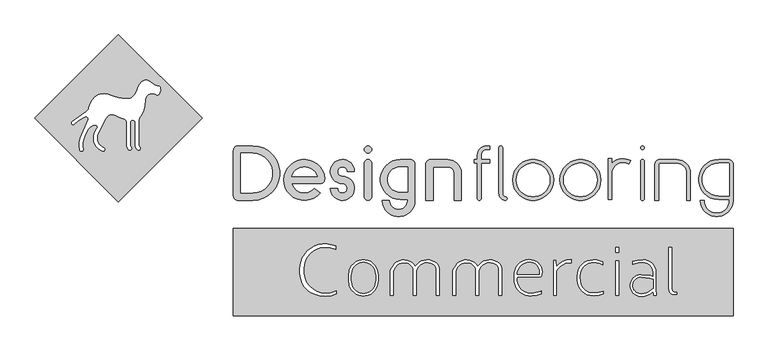
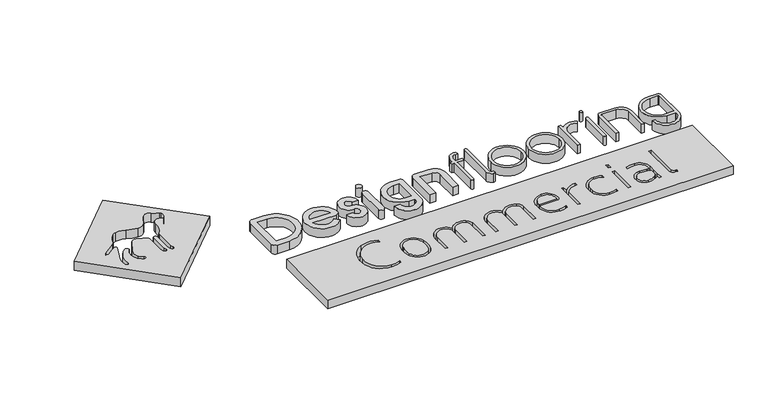
"""IFC4 building model written with IfcOpenShell, lengths in millimetres: proxy geometry."""

from ifc_helpers import new_model, si_unit, point, frame_2d, origin, origin_with_axes, place, context, project, spatial, polyline, circle_curve, trimmed, segment, composite_curve, outline, extrude, source, transform, mapped, element, save


def generic_models_ec97cc81(model_context):
    return source(origin(), model_context, "Body", "SweptSolid", [
        extrude(outline(composite_curve([segment(polyline([(-5767.153441, 16348.2724961), (-5767.153441, 17348.2724961)]), True, "CONTINUOUS"), segment(trimmed(circle_curve(frame_2d((-5667.153441, 17348.2724961)), 100.0), [point((-5767.153441, 17348.2724961))], [point((-5667.153441, 17448.2724961))], False, "CARTESIAN"), True, "CONTINUOUS"), segment(polyline([(-5667.153441, 17448.2724961), (-5347.153441, 17448.2724961)]), True, "CONTINUOUS"), segment(trimmed(circle_curve(frame_2d((-5347.153441, 16848.2724961)), 600.0), [point((-5347.153441, 17448.2724961))], [point((-5347.153441, 16248.2724961))], False, "CARTESIAN"), True, "CONTINUOUS"), segment(polyline([(-5347.153441, 16248.2724961), (-5667.153441, 16248.2724961)]), True, "CONTINUOUS"), segment(trimmed(circle_curve(frame_2d((-5667.153441, 16348.2724961)), 100.0), [point((-5667.153441, 16248.2724961))], [point((-5767.153441, 16348.2724961))], False, "CARTESIAN"), True, "CONTINUOUS")], self_intersect=False), holes=[composite_curve([segment(polyline([(-5607.153441, 16408.2724961), (-5347.153441, 16408.2724961)]), True, "CONTINUOUS"), segment(trimmed(circle_curve(frame_2d((-5347.153441, 16848.2724961)), 440.0), [point((-5347.153441, 16408.2724961))], [point((-5347.153441, 17288.2724961))], True, "CARTESIAN"), True, "CONTINUOUS"), segment(polyline([(-5347.153441, 17288.2724961), (-5607.153441, 17288.2724961), (-5607.153441, 16408.2724961)]), True, "CONTINUOUS")], self_intersect=False)]), origin_with_axes(), (0.0, 0.0, 1.0), 250.0),
        extrude(outline(composite_curve([segment(trimmed(circle_curve(frame_2d((-4207.153441, 16698.2724961)), 450.0), [point((-3862.4334416, 16409.0180718))], [point((-3757.8887356, 16723.9867819))], False, "CARTESIAN"), True, "CONTINUOUS"), segment(trimmed(circle_curve(frame_2d((-3857.7253368, 16718.2724961)), 100.0), [point((-3757.8887356, 16723.9867819))], [point((-3857.7253368, 16618.2724961))], False, "CARTESIAN"), True, "CONTINUOUS"), segment(polyline([(-3857.7253368, 16618.2724961), (-4485.9006383, 16618.2724961)]), True, "CONTINUOUS"), segment(trimmed(circle_curve(frame_2d((-4207.153441, 16698.2724961)), 290.0), [point((-4485.9006383, 16618.2724961))], [point((-3985.0005525, 16511.8640893))], True, "CARTESIAN"), True, "CONTINUOUS"), segment(polyline([(-3985.0005525, 16511.8640893), (-3862.4334416, 16409.0180718)]), True, "CONTINUOUS")], self_intersect=False), holes=[composite_curve([segment(polyline([(-4485.9006383, 16778.2724961), (-3928.4062437, 16778.2724961)]), True, "CONTINUOUS"), segment(trimmed(circle_curve(frame_2d((-4207.153441, 16698.2724961)), 290.0), [point((-3928.4062437, 16778.2724961))], [point((-4485.9006383, 16778.2724961))], True, "CARTESIAN"), True, "CONTINUOUS")], self_intersect=False)]), origin_with_axes(), (0.0, 0.0, 1.0), 250.0),
        extrude(outline(composite_curve([segment(polyline([(-2887.153441, 16328.2724961), (-2887.153441, 17068.2724961)]), True, "CONTINUOUS"), segment(trimmed(circle_curve(frame_2d((-2807.153441, 17068.2724961)), 80.0), [point((-2887.153441, 17068.2724961))], [point((-2727.153441, 17068.2724961))], False, "CARTESIAN"), True, "CONTINUOUS"), segment(polyline([(-2727.153441, 17068.2724961), (-2727.153441, 16328.2724961)]), True, "CONTINUOUS"), segment(trimmed(circle_curve(frame_2d((-2807.153441, 16328.2724961)), 80.0), [point((-2727.153441, 16328.2724961))], [point((-2887.153441, 16328.2724961))], False, "CARTESIAN"), True, "CONTINUOUS")], self_intersect=False)), origin_with_axes(), (0.0, 0.0, 1.0), 250.0),
        extrude(outline(composite_curve([segment(trimmed(circle_curve(frame_2d((-1874.2041653, 17048.2724961)), 100.0), [point((-1874.2041653, 17148.2724961))], [point((-1774.2041653, 17048.2724961))], False, "CARTESIAN"), True, "CONTINUOUS"), segment(polyline([(-1774.2041653, 17048.2724961), (-1774.2041653, 16248.2724961)]), True, "CONTINUOUS"), segment(trimmed(circle_curve(frame_2d((-2134.2041653, 16248.2724961)), 360.0), [point((-1774.2041653, 16248.2724961))], [point((-2494.2041653, 16248.2724961))], False, "CARTESIAN"), True, "CONTINUOUS"), segment(polyline([(-2494.2041653, 16248.2724961), (-2334.2041653, 16248.2724961)]), True, "CONTINUOUS"), segment(trimmed(circle_curve(frame_2d((-2134.2041653, 16248.2724961)), 200.0), [point((-2334.2041653, 16248.2724961))], [point((-1934.2041653, 16248.2724961))], True, "CARTESIAN"), True, "CONTINUOUS"), segment(polyline([(-1934.2041653, 16248.2724961), (-1934.2041653, 16268.2724961), (-2094.2041653, 16268.2724961)]), True, "CONTINUOUS"), segment(trimmed(circle_curve(frame_2d((-2094.2041653, 16708.2724961)), 440.0), [point((-2094.2041653, 16268.2724961))], [point((-2094.2041653, 17148.2724961))], False, "CARTESIAN"), True, "CONTINUOUS"), segment(polyline([(-2094.2041653, 17148.2724961), (-1874.2041653, 17148.2724961)]), True, "CONTINUOUS")], self_intersect=False), holes=[composite_curve([segment(polyline([(-2094.2041653, 16428.2724961), (-1934.2041653, 16428.2724961), (-1934.2041653, 16988.2724961), (-2094.2041653, 16988.2724961)]), True, "CONTINUOUS"), segment(trimmed(circle_curve(frame_2d((-2094.2041653, 16708.2724961)), 280.0), [point((-2094.2041653, 16988.2724961))], [point((-2094.2041653, 16428.2724961))], True, "CARTESIAN"), True, "CONTINUOUS")], self_intersect=False)]), origin_with_axes(), (0.0, 0.0, 1.0), 250.0),
        extrude(outline(composite_curve([segment(trimmed(circle_curve(frame_2d((-2807.153441, 17368.2724961)), 80.0), [point((-2887.153441, 17368.2724961))], [point((-2727.153441, 17368.2724961))], False, "CARTESIAN"), True, "CONTINUOUS"), segment(trimmed(circle_curve(frame_2d((-2807.153441, 17368.2724961)), 80.0), [point((-2727.153441, 17368.2724961))], [point((-2887.153441, 17368.2724961))], False, "CARTESIAN"), True, "CONTINUOUS")], self_intersect=False)), origin_with_axes(), (0.0, 0.0, 1.0), 250.0),
        extrude(outline(composite_curve([segment(trimmed(circle_curve(frame_2d((-3369.9665365, 16513.2724961)), 105.0), [point((-3474.9665365, 16513.2724961))], [point((-3369.9665365, 16618.2724961))], True, "CARTESIAN"), True, "CONTINUOUS"), segment(trimmed(circle_curve(frame_2d((-3369.9665365, 16883.2724961)), 265.0), [point((-3369.9665365, 16618.2724961))], [point((-3104.9665365, 16883.2724961))], False, "CARTESIAN"), True, "CONTINUOUS"), segment(polyline([(-3104.9665365, 16883.2724961), (-3264.9665365, 16883.2724961)]), True, "CONTINUOUS"), segment(trimmed(circle_curve(frame_2d((-3369.9665365, 16883.2724961)), 105.0), [point((-3264.9665365, 16883.2724961))], [point((-3369.9665365, 16778.2724961))], True, "CARTESIAN"), True, "CONTINUOUS"), segment(trimmed(circle_curve(frame_2d((-3369.9665365, 16513.2724961)), 265.0), [point((-3369.9665365, 16778.2724961))], [point((-3634.9665365, 16513.2724961))], False, "CARTESIAN"), True, "CONTINUOUS"), segment(polyline([(-3634.9665365, 16513.2724961), (-3474.9665365, 16513.2724961)]), True, "CONTINUOUS")], self_intersect=False)), origin_with_axes(), (0.0, 0.0, 1.0), 250.0),
        extrude(outline(composite_curve([segment(trimmed(circle_curve(frame_2d((-1054.2041653, 16848.2724961)), 300.0), [point((-1054.2041653, 17148.2724961))], [point((-754.2041653, 16848.2724961))], False, "CARTESIAN"), True, "CONTINUOUS"), segment(polyline([(-754.2041653, 16848.2724961), (-754.2041653, 16248.2724961), (-914.2041653, 16248.2724961), (-914.2041653, 16848.2724961)]), True, "CONTINUOUS"), segment(trimmed(circle_curve(frame_2d((-1054.2041653, 16848.2724961)), 140.0), [point((-914.2041653, 16848.2724961))], [point((-1054.2041653, 16988.2724961))], True, "CARTESIAN"), True, "CONTINUOUS"), segment(polyline([(-1054.2041653, 16988.2724961), (-1374.2041653, 16988.2724961), (-1374.2041653, 16248.2724961), (-1534.2041653, 16248.2724961), (-1534.2041653, 17048.2724961)]), True, "CONTINUOUS"), segment(trimmed(circle_curve(frame_2d((-1434.2041653, 17048.2724961)), 100.0), [point((-1534.2041653, 17048.2724961))], [point((-1434.2041653, 17148.2724961))], False, "CARTESIAN"), True, "CONTINUOUS"), segment(polyline([(-1434.2041653, 17148.2724961), (-1054.2041653, 17148.2724961)]), True, "CONTINUOUS")], self_intersect=False)), origin_with_axes(), (0.0, 0.0, 1.0), 250.0),
        extrude(outline(composite_curve([segment(trimmed(circle_curve(frame_2d((5125.7958347, 17048.2724961)), 100.0), [point((5125.7958347, 17148.2724961))], [point((5225.7958347, 17048.2724961))], False, "CARTESIAN"), True, "CONTINUOUS"), segment(polyline([(5225.7958347, 17048.2724961), (5225.7958347, 16248.2724961)]), True, "CONTINUOUS"), segment(trimmed(circle_curve(frame_2d((4865.7958347, 16248.2724961)), 360.0), [point((5225.7958347, 16248.2724961))], [point((4505.7958347, 16248.2724961))], False, "CARTESIAN"), True, "CONTINUOUS"), segment(polyline([(4505.7958347, 16248.2724961), (4585.7958347, 16248.2724961)]), True, "CONTINUOUS"), segment(trimmed(circle_curve(frame_2d((4865.7958347, 16248.2724961)), 280.0), [point((4585.7958347, 16248.2724961))], [point((5145.7958347, 16248.2724961))], True, "CARTESIAN"), True, "CONTINUOUS"), segment(polyline([(5145.7958347, 16248.2724961), (5145.7958347, 16268.2724961), (4905.7958347, 16268.2724961)]), True, "CONTINUOUS"), segment(trimmed(circle_curve(frame_2d((4905.7958347, 16708.2724961)), 440.0), [point((4905.7958347, 16268.2724961))], [point((4905.7958347, 17148.2724961))], False, "CARTESIAN"), True, "CONTINUOUS"), segment(polyline([(4905.7958347, 17148.2724961), (5125.7958347, 17148.2724961)]), True, "CONTINUOUS")], self_intersect=False), holes=[composite_curve([segment(polyline([(4905.7958347, 16348.2724961), (5145.7958347, 16348.2724961), (5145.7958347, 17048.2724961)]), True, "CONTINUOUS"), segment(trimmed(circle_curve(frame_2d((5125.7958347, 17048.2724961)), 20.0), [point((5145.7958347, 17048.2724961))], [point((5125.7958347, 17068.2724961))], True, "CARTESIAN"), True, "CONTINUOUS"), segment(polyline([(5125.7958347, 17068.2724961), (4905.7958347, 17068.2724961)]), True, "CONTINUOUS"), segment(trimmed(circle_curve(frame_2d((4905.7958347, 16708.2724961)), 360.0), [point((4905.7958347, 17068.2724961))], [point((4905.7958347, 16348.2724961))], True, "CARTESIAN"), True, "CONTINUOUS")], self_intersect=False)]), origin_with_axes(), (0.0, 0.0, 1.0), 250.0),
        extrude(outline(composite_curve([segment(trimmed(circle_curve(frame_2d((3987.129168, 16848.2724961)), 300.0), [point((3987.129168, 17148.2724961))], [point((4287.129168, 16848.2724961))], False, "CARTESIAN"), True, "CONTINUOUS"), segment(polyline([(4287.129168, 16848.2724961), (4287.129168, 16248.2724961), (4207.129168, 16248.2724961), (4207.129168, 16848.2724961)]), True, "CONTINUOUS"), segment(trimmed(circle_curve(frame_2d((3987.129168, 16848.2724961)), 220.0), [point((4207.129168, 16848.2724961))], [point((3987.129168, 17068.2724961))], True, "CARTESIAN"), True, "CONTINUOUS"), segment(polyline([(3987.129168, 17068.2724961), (3607.129168, 17068.2724961)]), True, "CONTINUOUS"), segment(trimmed(circle_curve(frame_2d((3607.129168, 17048.2724961)), 20.0), [point((3607.129168, 17068.2724961))], [point((3587.129168, 17048.2724961))], True, "CARTESIAN"), True, "CONTINUOUS"), segment(polyline([(3587.129168, 17048.2724961), (3587.129168, 16248.2724961), (3507.129168, 16248.2724961), (3507.129168, 17048.2724961)]), True, "CONTINUOUS"), segment(trimmed(circle_curve(frame_2d((3607.129168, 17048.2724961)), 100.0), [point((3507.129168, 17048.2724961))], [point((3607.129168, 17148.2724961))], False, "CARTESIAN"), True, "CONTINUOUS"), segment(polyline([(3607.129168, 17148.2724961), (3987.129168, 17148.2724961)]), True, "CONTINUOUS")], self_intersect=False)), origin_with_axes(), (0.0, 0.0, 1.0), 250.0),
        extrude(outline(composite_curve([segment(polyline([(3192.846559, 16288.2724961), (3192.846559, 17108.2724961)]), True, "CONTINUOUS"), segment(trimmed(circle_curve(frame_2d((3232.846559, 17108.2724961)), 40.0), [point((3192.846559, 17108.2724961))], [point((3272.846559, 17108.2724961))], False, "CARTESIAN"), True, "CONTINUOUS"), segment(polyline([(3272.846559, 17108.2724961), (3272.846559, 16288.2724961)]), True, "CONTINUOUS"), segment(trimmed(circle_curve(frame_2d((3232.846559, 16288.2724961)), 40.0), [point((3272.846559, 16288.2724961))], [point((3192.846559, 16288.2724961))], False, "CARTESIAN"), True, "CONTINUOUS")], self_intersect=False)), origin_with_axes(), (0.0, 0.0, 1.0), 250.0),
        extrude(outline(composite_curve([segment(trimmed(circle_curve(frame_2d((3232.846559, 17408.2724961)), 40.0), [point((3192.846559, 17408.2724961))], [point((3272.846559, 17408.2724961))], False, "CARTESIAN"), True, "CONTINUOUS"), segment(trimmed(circle_curve(frame_2d((3232.846559, 17408.2724961)), 40.0), [point((3272.846559, 17408.2724961))], [point((3192.846559, 17408.2724961))], False, "CARTESIAN"), True, "CONTINUOUS")], self_intersect=False)), origin_with_axes(), (0.0, 0.0, 1.0), 250.0),
        extrude(outline(composite_curve([segment(polyline([(-398.4913142, 17148.2724961), (-398.4913142, 17248.2724961)]), True, "CONTINUOUS"), segment(trimmed(circle_curve(frame_2d((-198.4913142, 17248.2724961)), 200.0), [point((-398.4913142, 17248.2724961))], [point((-198.4913142, 17448.2724961))], False, "CARTESIAN"), True, "CONTINUOUS"), segment(polyline([(-198.4913142, 17448.2724961), (-133.3812017, 17448.2724961), (-133.3812017, 17368.2724961), (-198.4913142, 17368.2724961)]), True, "CONTINUOUS"), segment(trimmed(circle_curve(frame_2d((-198.4913142, 17248.2724961)), 120.0), [point((-198.4913142, 17368.2724961))], [point((-318.4913142, 17248.2724961))], True, "CARTESIAN"), True, "CONTINUOUS"), segment(polyline([(-318.4913142, 17248.2724961), (-318.4913142, 17148.2724961), (-133.3812017, 17148.2724961), (-133.3812017, 17068.2724961), (-318.4913142, 17068.2724961), (-318.4913142, 16288.2724961)]), True, "CONTINUOUS"), segment(trimmed(circle_curve(frame_2d((-358.4913142, 16288.2724961)), 40.0), [point((-318.4913142, 16288.2724961))], [point((-398.4913142, 16288.2724961))], False, "CARTESIAN"), True, "CONTINUOUS"), segment(polyline([(-398.4913142, 16288.2724961), (-398.4913142, 17068.2724961), (-470.1380677, 17068.2724961), (-470.1380677, 17148.2724961), (-398.4913142, 17148.2724961)]), True, "CONTINUOUS")], self_intersect=False)), origin_with_axes(), (0.0, 0.0, 1.0), 250.0),
        extrude(outline(composite_curve([segment(trimmed(circle_curve(frame_2d((825.7958347, 16698.2724961)), 450.0), [point((375.7958347, 16698.2724961))], [point((1275.7958347, 16698.2724961))], False, "CARTESIAN"), True, "CONTINUOUS"), segment(trimmed(circle_curve(frame_2d((825.7958347, 16698.2724961)), 450.0), [point((1275.7958347, 16698.2724961))], [point((375.7958347, 16698.2724961))], False, "CARTESIAN"), True, "CONTINUOUS")], self_intersect=False), holes=[composite_curve([segment(trimmed(circle_curve(frame_2d((825.7958347, 16698.2724961)), 370.0), [point((455.7958347, 16698.2724961))], [point((1195.7958347, 16698.2724961))], True, "CARTESIAN"), True, "CONTINUOUS"), segment(trimmed(circle_curve(frame_2d((825.7958347, 16698.2724961)), 370.0), [point((1195.7958347, 16698.2724961))], [point((455.7958347, 16698.2724961))], True, "CARTESIAN"), True, "CONTINUOUS")], self_intersect=False)]), origin_with_axes(), (0.0, 0.0, 1.0), 250.0),
        extrude(outline(composite_curve([segment(trimmed(circle_curve(frame_2d((1865.7958347, 16698.2724961)), 450.0), [point((1415.7958347, 16698.2724961))], [point((2315.7958347, 16698.2724961))], False, "CARTESIAN"), True, "CONTINUOUS"), segment(trimmed(circle_curve(frame_2d((1865.7958347, 16698.2724961)), 450.0), [point((2315.7958347, 16698.2724961))], [point((1415.7958347, 16698.2724961))], False, "CARTESIAN"), True, "CONTINUOUS")], self_intersect=False), holes=[composite_curve([segment(trimmed(circle_curve(frame_2d((1865.7958347, 16698.2724961)), 370.0), [point((1495.7958347, 16698.2724961))], [point((2235.7958347, 16698.2724961))], True, "CARTESIAN"), True, "CONTINUOUS"), segment(trimmed(circle_curve(frame_2d((1865.7958347, 16698.2724961)), 370.0), [point((2235.7958347, 16698.2724961))], [point((1495.7958347, 16698.2724961))], True, "CARTESIAN"), True, "CONTINUOUS")], self_intersect=False)]), origin_with_axes(), (0.0, 0.0, 1.0), 250.0),
        extrude(outline(composite_curve([segment(polyline([(72.846559, 16405.4102196), (72.846559, 17408.2724961)]), True, "CONTINUOUS"), segment(trimmed(circle_curve(frame_2d((112.846559, 17408.2724961)), 40.0), [point((72.846559, 17408.2724961))], [point((152.846559, 17408.2724961))], False, "CARTESIAN"), True, "CONTINUOUS"), segment(polyline([(152.846559, 17408.2724961), (152.846559, 16405.4102196)]), True, "CONTINUOUS"), segment(trimmed(circle_curve(frame_2d((231.3667794, 16405.4102196)), 78.5202204), [point((152.846559, 16405.4102196))], [point((219.4086788, 16327.8059101))], True, "CARTESIAN"), True, "CONTINUOUS"), segment(trimmed(circle_curve(frame_2d((213.3169482, 16288.2724961)), 40.0), [point((219.4086788, 16327.8059101))], [point((207.2252177, 16248.7390822))], False, "CARTESIAN"), True, "CONTINUOUS"), segment(trimmed(circle_curve(frame_2d((231.3667794, 16405.4102196)), 158.5202204), [point((207.2252177, 16248.7390822))], [point((72.846559, 16405.4102196))], False, "CARTESIAN"), True, "CONTINUOUS")], self_intersect=False)), origin_with_axes(), (0.0, 0.0, 1.0), 250.0),
        extrude(outline(composite_curve([segment(polyline([(2556.2049656, 17168.2724961), (2556.2049656, 17063.8535222)]), True, "CONTINUOUS"), segment(trimmed(circle_curve(frame_2d((2798.0989305, 16835.8807394)), 332.3917567), [point((2556.2049656, 17063.8535222))], [point((2969.0045681, 17120.9693975))], False, "CARTESIAN"), True, "CONTINUOUS"), segment(polyline([(2969.0045681, 17120.9693975), (2927.8710239, 17052.3543005)]), True, "CONTINUOUS"), segment(trimmed(circle_curve(frame_2d((2808.0898912, 16830.7724961)), 251.8849256), [point((2927.8710239, 17052.3543005))], [point((2556.2049656, 16830.7724961))], True, "CARTESIAN"), True, "CONTINUOUS"), segment(polyline([(2556.2049656, 16830.7724961), (2556.2049656, 16268.2724961), (2476.2049656, 16268.2724961), (2476.2049656, 17168.2724961), (2556.2049656, 17168.2724961)]), True, "CONTINUOUS")], self_intersect=False)), origin_with_axes(), (0.0, 0.0, 1.0), 250.0),
        extrude(outline(polyline([(5225.7958347, 15628.2724961), (5225.7958347, 13708.2724961), (-5767.153441, 13708.2724961), (-5767.153441, 15628.2724961), (5225.7958347, 15628.2724961)]), holes=[composite_curve([segment(trimmed(circle_curve(frame_2d((-3742.5651656, 14736.2613122)), 480.8326112), [point((-4223.3977768, 14736.2613122))], [point((-3742.5651656, 15217.0939234))], False, "CARTESIAN"), True, "CONTINUOUS"), segment(trimmed(circle_curve(frame_2d((-3742.5651656, 14614.3969711)), 602.6969524), [point((-3742.5651656, 15217.0939234))], [point((-3516.7909134, 15173.2078545))], False, "CARTESIAN"), True, "CONTINUOUS"), segment(polyline([(-3516.7909134, 15173.2078545), (-3516.7909134, 15240.7421952)]), True, "CONTINUOUS"), segment(trimmed(circle_curve(frame_2d((-3750.446374, 14720.261437)), 570.5217734), [point((-3516.7909134, 15240.7421952))], [point((-3982.946374, 15241.2593679))], True, "CARTESIAN"), True, "CONTINUOUS"), segment(trimmed(circle_curve(frame_2d((-3769.2503093, 14762.3982603)), 524.3796033), [point((-3982.946374, 15241.2593679))], [point((-4248.1114169, 14976.0943249))], True, "CARTESIAN"), True, "CONTINUOUS"), segment(trimmed(circle_curve(frame_2d((-3620.6730485, 14696.0943249)), 687.0799852), [point((-4248.1114169, 14976.0943249))], [point((-4248.1114169, 14416.0943249))], True, "CARTESIAN"), True, "CONTINUOUS"), segment(trimmed(circle_curve(frame_2d((-3849.9903758, 14593.7594107)), 435.9647303), [point((-4248.1114169, 14416.0943249))], [point((-3999.4511583, 14184.2148825))], True, "CARTESIAN"), True, "CONTINUOUS"), segment(trimmed(circle_curve(frame_2d((-3741.982978, 14889.7155671)), 751.0133687), [point((-3999.4511583, 14184.2148825))], [point((-3610.9352261, 14150.2241428))], True, "CARTESIAN"), True, "CONTINUOUS"), segment(trimmed(circle_curve(frame_2d((-3680.3183164, 14541.7470763)), 397.6232145), [point((-3610.9352261, 14150.2241428))], [point((-3506.3190093, 14184.2160122))], True, "CARTESIAN"), True, "CONTINUOUS"), segment(polyline([(-3506.3190093, 14184.2160122), (-3506.3190093, 14251.6723699)]), True, "CONTINUOUS"), segment(trimmed(circle_curve(frame_2d((-3741.4495399, 14786.1864477)), 583.9449167), [point((-3506.3190093, 14251.6723699))], [point((-3742.5651656, 14202.2425967))], False, "CARTESIAN"), True, "CONTINUOUS"), segment(trimmed(circle_curve(frame_2d((-3741.6398823, 14686.5568972)), 484.3151843), [point((-3742.5651656, 14202.2425967))], [point((-4223.3977768, 14736.2613122))], False, "CARTESIAN"), True, "CONTINUOUS")], self_intersect=False), composite_curve([segment(trimmed(circle_curve(frame_2d((-2906.4065061, 14457.3236337)), 317.6483797), [point((-3214.6253857, 14380.5016616))], [point((-2598.1876265, 14380.5016616))], True, "CARTESIAN"), True, "CONTINUOUS"), segment(trimmed(circle_curve(frame_2d((-3240.8289388, 14540.6767067)), 662.3019714), [point((-2598.1876265, 14380.5016616))], [point((-2598.1876265, 14700.8517519))], True, "CARTESIAN"), True, "CONTINUOUS"), segment(trimmed(circle_curve(frame_2d((-2906.4065061, 14624.0297798)), 317.6483797), [point((-2598.1876265, 14700.8517519))], [point((-3214.6253857, 14700.8517519))], True, "CARTESIAN"), True, "CONTINUOUS"), segment(trimmed(circle_curve(frame_2d((-2571.9840734, 14540.6767067)), 662.3019714), [point((-3214.6253857, 14700.8517519))], [point((-3214.6253857, 14380.5016616))], True, "CARTESIAN"), True, "CONTINUOUS")], self_intersect=False), composite_curve([segment(polyline([(-2255.1581444, 14160.4388128), (-2255.1581444, 14645.8375178)]), True, "CONTINUOUS"), segment(trimmed(circle_curve(frame_2d((-2075.668466, 14651.3146033)), 179.5732249), [point((-2255.1581444, 14645.8375178))], [point((-2230.747075, 14741.8528171))], False, "CARTESIAN"), True, "CONTINUOUS"), segment(polyline([(-2230.747075, 14741.8528171), (-2201.5869445, 14782.2508562)]), True, "CONTINUOUS"), segment(trimmed(circle_curve(frame_2d((-2015.7620057, 14645.688732)), 230.6081561), [point((-2201.5869445, 14782.2508562))], [point((-1807.2279643, 14744.1451957))], False, "CARTESIAN"), True, "CONTINUOUS"), segment(polyline([(-1807.2279643, 14744.1451957), (-1807.2279643, 14160.4388128), (-1742.2279643, 14160.4388128), (-1742.2279643, 14700.0251233)]), True, "CONTINUOUS"), segment(trimmed(circle_curve(frame_2d((-1502.8073918, 14629.3725031)), 249.6277294), [point((-1742.2279643, 14700.0251233))], [point((-1370.6152603, 14841.1252921))], False, "CARTESIAN"), True, "CONTINUOUS"), segment(trimmed(circle_curve(frame_2d((-1447.1394562, 14718.5445324)), 144.5060387), [point((-1370.6152603, 14841.1252921))], [point((-1305.1581444, 14745.4388128))], False, "CARTESIAN"), True, "CONTINUOUS"), segment(polyline([(-1305.1581444, 14745.4388128), (-1305.1581444, 14160.4388128), (-1240.1581444, 14160.4388128), (-1240.1581444, 14745.4388128)]), True, "CONTINUOUS"), segment(trimmed(circle_curve(frame_2d((-1453.5376042, 14708.2956192)), 216.588113), [point((-1240.1581444, 14745.4388128))], [point((-1338.8418355, 14892.0217505))], True, "CARTESIAN"), True, "CONTINUOUS"), segment(trimmed(circle_curve(frame_2d((-1502.8073918, 14629.3725031)), 309.6277294), [point((-1338.8418355, 14892.0217505))], [point((-1765.4566392, 14793.3380594))], True, "CARTESIAN"), True, "CONTINUOUS"), segment(trimmed(circle_curve(frame_2d((-2015.7620057, 14645.688732)), 290.6081561), [point((-1765.4566392, 14793.3380594))], [point((-2255.1581444, 14810.4388128))], True, "CARTESIAN"), True, "CONTINUOUS"), segment(trimmed(circle_curve(frame_2d((-3713.3738507, 15813.9685968)), 1770.1596181), [point((-2255.1581444, 14810.4388128))], [point((-2286.9724244, 14765.7109737))], False, "CARTESIAN"), True, "CONTINUOUS"), segment(trimmed(circle_curve(frame_2d((-2085.6607905, 14645.3616859)), 234.5428), [point((-2286.9724244, 14765.7109737))], [point((-2320.1581444, 14649.9786143))], True, "CARTESIAN"), True, "CONTINUOUS"), segment(polyline([(-2320.1581444, 14649.9786143), (-2320.1581444, 14160.4388128), (-2255.1581444, 14160.4388128)]), True, "CONTINUOUS")], self_intersect=False), composite_curve([segment(polyline([(-880.1581444, 14160.4388128), (-880.1581444, 14645.8375178)]), True, "CONTINUOUS"), segment(trimmed(circle_curve(frame_2d((-700.668466, 14651.3146033)), 179.5732249), [point((-880.1581444, 14645.8375178))], [point((-853.3725444, 14745.8027378))], False, "CARTESIAN"), True, "CONTINUOUS"), segment(polyline([(-853.3725444, 14745.8027378), (-826.5869445, 14782.2508562)]), True, "CONTINUOUS"), segment(trimmed(circle_curve(frame_2d((-640.7620057, 14645.688732)), 230.6081561), [point((-826.5869445, 14782.2508562))], [point((-432.2279643, 14744.1451957))], False, "CARTESIAN"), True, "CONTINUOUS"), segment(polyline([(-432.2279643, 14744.1451957), (-432.2279643, 14160.4388128), (-367.2279643, 14160.4388128), (-367.2279643, 14700.0251233)]), True, "CONTINUOUS"), segment(trimmed(circle_curve(frame_2d((-127.8073918, 14629.3725031)), 249.6277294), [point((-367.2279643, 14700.0251233))], [point((4.3847397, 14841.1252921))], False, "CARTESIAN"), True, "CONTINUOUS"), segment(trimmed(circle_curve(frame_2d((-72.1394562, 14718.5445324)), 144.5060387), [point((4.3847397, 14841.1252921))], [point((69.8418556, 14745.4388128))], False, "CARTESIAN"), True, "CONTINUOUS"), segment(polyline([(69.8418556, 14745.4388128), (69.8418556, 14160.4388128), (134.8418556, 14160.4388128), (134.8418556, 14745.4388128)]), True, "CONTINUOUS"), segment(trimmed(circle_curve(frame_2d((-78.5376042, 14708.2956192)), 216.588113), [point((134.8418556, 14745.4388128))], [point((36.1581645, 14892.0217505))], True, "CARTESIAN"), True, "CONTINUOUS"), segment(trimmed(circle_curve(frame_2d((-127.8073918, 14629.3725031)), 309.6277294), [point((36.1581645, 14892.0217505))], [point((-390.4566392, 14793.3380594))], True, "CARTESIAN"), True, "CONTINUOUS"), segment(trimmed(circle_curve(frame_2d((-640.7620057, 14645.688732)), 290.6081561), [point((-390.4566392, 14793.3380594))], [point((-880.1581444, 14810.4388128))], True, "CARTESIAN"), True, "CONTINUOUS"), segment(trimmed(circle_curve(frame_2d((-2338.3738507, 15813.9685968)), 1770.1596181), [point((-880.1581444, 14810.4388128))], [point((-911.9724244, 14765.7109737))], False, "CARTESIAN"), True, "CONTINUOUS"), segment(trimmed(circle_curve(frame_2d((-710.6607905, 14645.3616859)), 234.5428), [point((-911.9724244, 14765.7109737))], [point((-945.1581444, 14649.9786143))], True, "CARTESIAN"), True, "CONTINUOUS"), segment(polyline([(-945.1581444, 14649.9786143), (-945.1581444, 14160.4388128), (-880.1581444, 14160.4388128)]), True, "CONTINUOUS")], self_intersect=False), composite_curve([segment(trimmed(circle_curve(frame_2d((769.5528887, 14502.3787409)), 299.2276419), [point((793.2048984, 14204.0873328))], [point((475.5062662, 14557.8202916))], False, "CARTESIAN"), True, "CONTINUOUS"), segment(polyline([(475.5062662, 14557.8202916), (962.6855202, 14557.8202916)]), True, "CONTINUOUS"), segment(trimmed(circle_curve(frame_2d((962.6855202, 14614.3888341)), 56.5685425), [point((962.6855202, 14557.8202916))], [point((1019.2540627, 14614.3888341))], True, "CARTESIAN"), True, "CONTINUOUS"), segment(trimmed(circle_curve(frame_2d((746.52461, 14667.2779331)), 277.8103871), [point((1019.2540627, 14614.3888341))], [point((732.1068276, 14944.7139415))], True, "CARTESIAN"), True, "CONTINUOUS"), segment(trimmed(circle_curve(frame_2d((749.7138459, 14605.908656)), 339.2624774), [point((732.1068276, 14944.7139415))], [point((410.9241366, 14588.0044253))], True, "CARTESIAN"), True, "CONTINUOUS"), segment(polyline([(410.9241366, 14588.0044253), (410.9241366, 14523.1131789)]), True, "CONTINUOUS"), segment(trimmed(circle_curve(frame_2d((769.5528887, 14502.3787409)), 359.2276419), [point((410.9241366, 14523.1131789))], [point((797.9475103, 14144.2750628))], True, "CARTESIAN"), True, "CONTINUOUS"), segment(trimmed(circle_curve(frame_2d((722.497977, 15095.8198916)), 954.5313998), [point((797.9475103, 14144.2750628))], [point((1008.9973547, 14185.2989969))], True, "CARTESIAN"), True, "CONTINUOUS"), segment(polyline([(1008.9973547, 14185.2989969), (1008.9973547, 14250.7508862), (1003.5066325, 14248.7883463)]), True, "CONTINUOUS"), segment(trimmed(circle_curve(frame_2d((727.8142763, 15028.7724641)), 827.2735336), [point((1003.5066325, 14248.7883463))], [point((793.2048984, 14204.0873328))], False, "CARTESIAN"), True, "CONTINUOUS")], self_intersect=False), composite_curve([segment(polyline([(1338.9973547, 14160.4388128), (1338.9973547, 14700.4388128)]), True, "CONTINUOUS"), segment(trimmed(circle_curve(frame_2d((1636.7824868, 14527.8689225)), 344.1748857), [point((1338.9973547, 14700.4388128))], [point((1660.2348965, 14871.2438436))], False, "CARTESIAN"), True, "CONTINUOUS"), segment(polyline([(1660.2348965, 14871.2438436), (1660.2348965, 14951.2438436)]), True, "CONTINUOUS"), segment(trimmed(circle_curve(frame_2d((1686.106546, 14503.3964339)), 448.5940756), [point((1660.2348965, 14951.2438436))], [point((1338.9973547, 14787.5651407))], True, "CARTESIAN"), True, "CONTINUOUS"), segment(polyline([(1338.9973547, 14787.5651407), (1326.7955507, 14927.0323985), (1276.7955507, 14927.0323985), (1276.7955507, 14160.4388128), (1338.9973547, 14160.4388128)]), True, "CONTINUOUS")], self_intersect=False), composite_curve([segment(polyline([(1795.8395348, 14579.2624837), (1797.6469254, 14490.4501423)]), True, "CONTINUOUS"), segment(trimmed(circle_curve(frame_2d((2147.7659087, 14497.575298)), 350.1914766), [point((1797.6469254, 14490.4501423))], [point((2156.4697513, 14147.4920031))], True, "CARTESIAN"), True, "CONTINUOUS"), segment(trimmed(circle_curve(frame_2d((2138.135245, 14884.9369083)), 737.6727882), [point((2156.4697513, 14147.4920031))], [point((2373.1274569, 14185.6946021))], True, "CARTESIAN"), True, "CONTINUOUS"), segment(polyline([(2373.1274569, 14185.6946021), (2373.1274569, 14249.3119653)]), True, "CONTINUOUS"), segment(trimmed(circle_curve(frame_2d((2138.135245, 14884.9369083)), 677.6727882), [point((2373.1274569, 14249.3119653))], [point((2154.9784798, 14207.4734678))], False, "CARTESIAN"), True, "CONTINUOUS"), segment(trimmed(circle_curve(frame_2d((2147.7659087, 14497.575298)), 290.1914766), [point((2154.9784798, 14207.4734678))], [point((1859.4920206, 14464.2697644))], False, "CARTESIAN"), True, "CONTINUOUS"), segment(trimmed(circle_curve(frame_2d((2465.1481634, 14541.0614396)), 610.5049752), [point((1859.4920206, 14464.2697644))], [point((1855.8395348, 14579.2624837))], False, "CARTESIAN"), True, "CONTINUOUS"), segment(trimmed(circle_curve(frame_2d((2154.8014187, 14579.2624837)), 298.9618839), [point((1855.8395348, 14579.2624837))], [point((2153.6462584, 14878.2221359))], False, "CARTESIAN"), True, "CONTINUOUS"), segment(trimmed(circle_curve(frame_2d((2155.3309566, 14442.2161585)), 436.0092321), [point((2153.6462584, 14878.2221359))], [point((2358.8254202, 14827.8248381))], False, "CARTESIAN"), True, "CONTINUOUS"), segment(polyline([(2358.8254202, 14827.8248381), (2358.8254202, 14894.5602329)]), True, "CONTINUOUS"), segment(trimmed(circle_curve(frame_2d((2155.3309566, 14442.2161585)), 496.0092321), [point((2358.8254202, 14894.5602329))], [point((2153.4144241, 14938.221688))], True, "CARTESIAN"), True, "CONTINUOUS"), segment(trimmed(circle_curve(frame_2d((2154.8014187, 14579.2624837)), 358.9618839), [point((2153.4144241, 14938.221688))], [point((1795.8395348, 14579.2624837))], True, "CARTESIAN"), True, "CONTINUOUS")], self_intersect=False), polyline([(2710.2388458, 14918.6986214), (2644.9166763, 14918.6986214), (2644.9166763, 14160.4388128), (2710.2388458, 14160.4388128), (2710.2388458, 14918.6986214)]), polyline([(2710.2388458, 15215.1619744), (2644.9166763, 15215.1619744), (2644.9166763, 15101.5582013), (2710.2388458, 15101.5582013), (2710.2388458, 15215.1619744)]), composite_curve([segment(polyline([(3876.1879016, 15215.1619744), (3814.8033187, 15215.1619744), (3814.8033187, 14285.4388128)]), True, "CONTINUOUS"), segment(trimmed(circle_curve(frame_2d((3927.3033187, 14285.4388128)), 112.5), [point((3814.8033187, 14285.4388128))], [point((3927.3033187, 14172.9388128))], True, "CARTESIAN"), True, "CONTINUOUS"), segment(polyline([(3927.3033187, 14172.9388128), (3991.1879016, 14172.9388128), (3991.1879016, 14225.4388128), (3951.1879016, 14225.4388128)]), True, "CONTINUOUS"), segment(trimmed(circle_curve(frame_2d((3951.1879016, 14300.4388128)), 75.0), [point((3951.1879016, 14225.4388128))], [point((3876.1879016, 14300.4388128))], False, "CARTESIAN"), True, "CONTINUOUS"), segment(polyline([(3876.1879016, 14300.4388128), (3876.1879016, 15215.1619744)]), True, "CONTINUOUS")], self_intersect=False), composite_curve([segment(trimmed(circle_curve(frame_2d((3254.1562143, 14666.159489)), 212.1320344), [point((3254.1562143, 14878.2915233))], [point((3466.2882486, 14666.159489))], False, "CARTESIAN"), True, "CONTINUOUS"), segment(polyline([(3466.2882486, 14666.159489), (3466.2882486, 14566.159489), (3399.6312327, 14591.1227654)]), True, "CONTINUOUS"), segment(trimmed(circle_curve(frame_2d((3201.4885039, 13642.757372)), 968.8433622), [point((3399.6312327, 14591.1227654))], [point((3201.4885039, 14611.6007342))], True, "CARTESIAN"), True, "CONTINUOUS"), segment(trimmed(circle_curve(frame_2d((3201.4885039, 14371.6007342)), 240.0), [point((3201.4885039, 14611.6007342))], [point((3201.4885039, 14131.6007342))], True, "CARTESIAN"), True, "CONTINUOUS"), segment(trimmed(circle_curve(frame_2d((3201.4885039, 14513.2192182)), 381.618484), [point((3201.4885039, 14131.6007342))], [point((3446.7881371, 14220.8824991))], True, "CARTESIAN"), True, "CONTINUOUS"), segment(polyline([(3446.7881371, 14220.8824991), (3468.0013405, 14242.0957025), (3479.4774679, 14160.4388128), (3534.4774679, 14160.4388128), (3526.2882486, 14315.5694729), (3526.2882486, 14512.1694447), (3526.2882486, 14666.159489)]), True, "CONTINUOUS"), segment(trimmed(circle_curve(frame_2d((3254.1562143, 14666.159489)), 272.1320344), [point((3526.2882486, 14666.159489))], [point((3254.1562143, 14938.2915233))], True, "CARTESIAN"), True, "CONTINUOUS"), segment(trimmed(circle_curve(frame_2d((3254.1562143, 14100.0764524)), 838.2150709), [point((3254.1562143, 14938.2915233))], [point((3015.5652789, 14903.6179079))], True, "CARTESIAN"), True, "CONTINUOUS"), segment(polyline([(3015.5652789, 14903.6179079), (3015.5652789, 14840.8146397)]), True, "CONTINUOUS"), segment(trimmed(circle_curve(frame_2d((3254.1562143, 14100.0764524)), 778.2150709), [point((3015.5652789, 14840.8146397))], [point((3254.1562143, 14878.2915233))], False, "CARTESIAN"), True, "CONTINUOUS")], self_intersect=False)]), origin_with_axes(), (0.0, 0.0, 1.0), 250.0),
        extrude(outline(composite_curve([segment(trimmed(circle_curve(frame_2d((-3240.8289388, 14540.6767067)), 602.3019714), [point((-2656.4065061, 14686.3409953))], [point((-2656.4065061, 14395.0124182))], False, "CARTESIAN"), True, "CONTINUOUS"), segment(trimmed(circle_curve(frame_2d((-2906.4065061, 14457.3236337)), 257.6483797), [point((-2656.4065061, 14395.0124182))], [point((-3156.4065061, 14395.0124182))], False, "CARTESIAN"), True, "CONTINUOUS"), segment(trimmed(circle_curve(frame_2d((-2571.9840734, 14540.6767067)), 602.3019714), [point((-3156.4065061, 14395.0124182))], [point((-3156.4065061, 14686.3409953))], False, "CARTESIAN"), True, "CONTINUOUS"), segment(trimmed(circle_curve(frame_2d((-2906.4065061, 14624.0297798)), 257.6483797), [point((-3156.4065061, 14686.3409953))], [point((-2656.4065061, 14686.3409953))], False, "CARTESIAN"), True, "CONTINUOUS")], self_intersect=False)), origin_with_axes(), (0.0, 0.0, 1.0), 250.0),
        extrude(outline(composite_curve([segment(trimmed(circle_curve(frame_2d((744.0684372, 14660.6388966)), 222.4505143), [point((744.0684372, 14883.0894109))], [point((961.657874, 14614.3888341))], False, "CARTESIAN"), True, "CONTINUOUS"), segment(polyline([(961.657874, 14614.3888341), (475.3678603, 14614.3888341)]), True, "CONTINUOUS"), segment(trimmed(circle_curve(frame_2d((744.0684372, 14614.3888341)), 268.7005769), [point((475.3678603, 14614.3888341))], [point((744.0684372, 14883.0894109))], False, "CARTESIAN"), True, "CONTINUOUS")], self_intersect=False)), origin_with_axes(), (0.0, 0.0, 1.0), 250.0),
        extrude(outline(composite_curve([segment(trimmed(circle_curve(frame_2d((3201.4885039, 14371.6007342)), 180.0), [point((3201.4885039, 14191.6007342))], [point((3201.4885039, 14551.6007342))], False, "CARTESIAN"), True, "CONTINUOUS"), segment(trimmed(circle_curve(frame_2d((3201.4885039, 13642.757372)), 908.8433622), [point((3201.4885039, 14551.6007342))], [point((3390.447664, 14531.7403261))], False, "CARTESIAN"), True, "CONTINUOUS"), segment(polyline([(3390.447664, 14531.7403261), (3466.2882486, 14512.1694447), (3466.2882486, 14315.5694729), (3408.2208805, 14266.8451657)]), True, "CONTINUOUS"), segment(trimmed(circle_curve(frame_2d((3201.4885039, 14513.2192182)), 321.618484), [point((3408.2208805, 14266.8451657))], [point((3201.4885039, 14191.6007342))], False, "CARTESIAN"), True, "CONTINUOUS")], self_intersect=False)), origin_with_axes(), (0.0, 0.0, 1.0), 250.0),
        extrude(outline(polyline([(-8296.6310721, 19894.9897426), (-6458.153441, 18056.5121115), (-8296.6310721, 16218.0344804), (-10135.1087032, 18056.5121115), (-8296.6310721, 19894.9897426)]), holes=[composite_curve([segment(trimmed(circle_curve(frame_2d((-8070.9112848, 19429.2167912)), 947.2491729), [point((-8145.7419165, 18484.927973))], [point((-8447.5592841, 18560.0693467))], False, "CARTESIAN"), True, "CONTINUOUS"), segment(trimmed(circle_curve(frame_2d((-8624.8954537, 18150.8509812)), 445.9907933), [point((-8447.5592841, 18560.0693467))], [point((-8700.3183962, 18590.4180039))], True, "CARTESIAN"), True, "CONTINUOUS"), segment(trimmed(circle_curve(frame_2d((-8666.1567623, 18391.3230441)), 202.0045055), [point((-8700.3183962, 18590.4180039))], [point((-8808.3754867, 18534.7791513))], True, "CARTESIAN"), True, "CONTINUOUS"), segment(trimmed(circle_curve(frame_2d((-8449.3925813, 18172.6728931)), 509.8918205), [point((-8808.3754867, 18534.7791513))], [point((-8945.9242154, 18288.629803))], True, "CARTESIAN"), True, "CONTINUOUS"), segment(trimmed(circle_curve(frame_2d((-9074.349931, 18318.6215459)), 131.8812689), [point((-8945.9242154, 18288.629803))], [point((-9005.0089354, 18206.4409085))], False, "CARTESIAN"), True, "CONTINUOUS"), segment(trimmed(circle_curve(frame_2d((-7705.0013215, 16103.2740669)), 2472.5150272), [point((-9005.0089354, 18206.4409085))], [point((-9315.4173608, 17979.4112528))], True, "CARTESIAN"), True, "CONTINUOUS"), segment(trimmed(circle_curve(frame_2d((-9292.3353167, 17952.5206356)), 35.4384826), [point((-9315.4173608, 17979.4112528))], [point((-9269.2532726, 17925.6300184))], True, "CARTESIAN"), True, "CONTINUOUS"), segment(trimmed(circle_curve(frame_2d((-8437.4378679, 16956.5637806)), 1277.108547), [point((-9269.2532726, 17925.6300184))], [point((-9033.1446962, 18086.2272772))], False, "CARTESIAN"), True, "CONTINUOUS"), segment(trimmed(circle_curve(frame_2d((-9009.8222139, 18041.9998895)), 50.0), [point((-9033.1446962, 18086.2272772))], [point((-8963.4123366, 18023.3955007))], False, "CARTESIAN"), True, "CONTINUOUS"), segment(trimmed(circle_curve(frame_2d((-13203.535391, 19723.1392241)), 4568.1256815), [point((-8963.4123366, 18023.3955007))], [point((-9108.5362841, 17698.6011147))], False, "CARTESIAN"), True, "CONTINUOUS"), segment(trimmed(circle_curve(frame_2d((-8647.6297477, 17470.7322377)), 514.1585946), [point((-9108.5362841, 17698.6011147))], [point((-9149.9718609, 17361.1354231))], True, "CARTESIAN"), True, "CONTINUOUS"), segment(trimmed(circle_curve(frame_2d((-9110.8911478, 17369.6617273)), 40.0), [point((-9149.9718609, 17361.1354231))], [point((-9071.8104347, 17378.1880315))], True, "CARTESIAN"), True, "CONTINUOUS"), segment(trimmed(circle_curve(frame_2d((-8647.6297477, 17470.7322377)), 434.1585946), [point((-9071.8104347, 17378.1880315))], [point((-9036.8219856, 17663.1460812))], False, "CARTESIAN"), True, "CONTINUOUS"), segment(trimmed(circle_curve(frame_2d((-13203.535391, 19723.1392241)), 4648.1256815), [point((-9036.8219856, 17663.1460812))], [point((-8982.4695111, 17776.94417))], True, "CARTESIAN"), True, "CONTINUOUS"), segment(trimmed(circle_curve(frame_2d((-8767.3373178, 17677.7537705)), 236.8978597), [point((-8982.4695111, 17776.94417))], [point((-8818.5116807, 17909.0582895))], False, "CARTESIAN"), True, "CONTINUOUS"), segment(trimmed(circle_curve(frame_2d((-8807.7107467, 17860.238828)), 50.0), [point((-8818.5116807, 17909.0582895))], [point((-8769.9739433, 17827.4374002))], False, "CARTESIAN"), True, "CONTINUOUS"), segment(trimmed(circle_curve(frame_2d((-8535.1377414, 17623.3140502)), 311.1500984), [point((-8769.9739433, 17827.4374002))], [point((-8782.64333, 17434.752741))], True, "CARTESIAN"), True, "CONTINUOUS"), segment(trimmed(circle_curve(frame_2d((-8535.1377414, 17623.3140502)), 311.1500984), [point((-8782.64333, 17434.752741))], [point((-8651.6054676, 17334.7838915))], True, "CARTESIAN"), True, "CONTINUOUS"), segment(trimmed(circle_curve(frame_2d((-8636.632922, 17371.875978)), 40.0), [point((-8651.6054676, 17334.7838915))], [point((-8621.6603763, 17408.9680644))], True, "CARTESIAN"), True, "CONTINUOUS"), segment(trimmed(circle_curve(frame_2d((-8535.1377414, 17623.3140502)), 231.1500984), [point((-8621.6603763, 17408.9680644))], [point((-8719.0070104, 17483.2338593))], False, "CARTESIAN"), True, "CONTINUOUS"), segment(trimmed(circle_curve(frame_2d((-8535.1377414, 17623.3140502)), 231.1500984), [point((-8719.0070104, 17483.2338593))], [point((-8730.3178883, 17747.1489332))], False, "CARTESIAN"), True, "CONTINUOUS"), segment(trimmed(circle_curve(frame_2d((-10467.5022023, 18849.3307867)), 2057.3318106), [point((-8730.3178883, 17747.1489332))], [point((-8572.2970919, 18048.8235921))], True, "CARTESIAN"), True, "CONTINUOUS"), segment(trimmed(circle_curve(frame_2d((-8434.9981213, 17990.8304951)), 149.0443109), [point((-8572.2970919, 18048.8235921))], [point((-8361.0737394, 18120.2499388))], False, "CARTESIAN"), True, "CONTINUOUS"), segment(trimmed(circle_curve(frame_2d((-7979.750176, 18787.8332469)), 768.8141085), [point((-8361.0737394, 18120.2499388))], [point((-8174.7517738, 18044.1602608))], True, "CARTESIAN"), True, "CONTINUOUS"), segment(trimmed(circle_curve(frame_2d((-8193.7747336, 17971.6128487)), 75.0), [point((-8174.7517738, 18044.1602608))], [point((-8118.8072036, 17969.4061648))], False, "CARTESIAN"), True, "CONTINUOUS"), segment(trimmed(circle_curve(frame_2d((190.2074537, 17724.8286882)), 8312.6134709), [point((-8118.8072036, 17969.4061648))], [point((-8118.5723686, 17472.399326))], True, "CARTESIAN"), True, "CONTINUOUS"), segment(trimmed(circle_curve(frame_2d((-7945.4924752, 17477.657673)), 173.159752), [point((-8118.5723686, 17472.399326))], [point((-8080.0264312, 17368.6397185))], True, "CARTESIAN"), True, "CONTINUOUS"), segment(trimmed(circle_curve(frame_2d((-8048.9490118, 17393.8229272)), 40.0), [point((-8080.0264312, 17368.6397185))], [point((-8017.8715923, 17419.006136))], True, "CARTESIAN"), True, "CONTINUOUS"), segment(trimmed(circle_curve(frame_2d((-7945.4924752, 17477.657673)), 93.159752), [point((-8017.8715923, 17419.006136))], [point((-8038.6092633, 17474.8286882))], False, "CARTESIAN"), True, "CONTINUOUS"), segment(trimmed(circle_curve(frame_2d((190.2074537, 17724.8286882)), 8232.6134709), [point((-8038.6092633, 17474.8286882))], [point((-8039.0285795, 17960.6228192))], False, "CARTESIAN"), True, "CONTINUOUS"), segment(trimmed(circle_curve(frame_2d((-7983.4342213, 17960.6228192)), 55.5943582), [point((-8039.0285795, 17960.6228192))], [point((-7927.8398632, 17960.6228192))], False, "CARTESIAN"), True, "CONTINUOUS"), segment(trimmed(circle_curve(frame_2d((381.4286874, 17724.8286882)), 8312.6134709), [point((-7927.8398632, 17960.6228192))], [point((-7927.3511349, 17472.399326))], True, "CARTESIAN"), True, "CONTINUOUS"), segment(trimmed(circle_curve(frame_2d((-7754.2712415, 17477.657673)), 173.159752), [point((-7927.3511349, 17472.399326))], [point((-7888.8051975, 17368.6397185))], True, "CARTESIAN"), True, "CONTINUOUS"), segment(trimmed(circle_curve(frame_2d((-7857.727778, 17393.8229272)), 40.0), [point((-7888.8051975, 17368.6397185))], [point((-7826.6503586, 17419.006136))], True, "CARTESIAN"), True, "CONTINUOUS"), segment(trimmed(circle_curve(frame_2d((-7754.2712415, 17477.657673)), 93.159752), [point((-7826.6503586, 17419.006136))], [point((-7847.3880296, 17474.8286882))], False, "CARTESIAN"), True, "CONTINUOUS"), segment(trimmed(circle_curve(frame_2d((381.4286874, 17724.8286882)), 8232.6134709), [point((-7847.3880296, 17474.8286882))], [point((-7845.5868222, 18028.3750057))], False, "CARTESIAN"), True, "CONTINUOUS"), segment(trimmed(circle_curve(frame_2d((-7795.6208209, 18026.5314458)), 50.0), [point((-7845.5868222, 18028.3750057))], [point((-7835.4002298, 18056.8233363))], False, "CARTESIAN"), True, "CONTINUOUS"), segment(trimmed(circle_curve(frame_2d((-8331.618204, 18434.6917102)), 623.7121018), [point((-7835.4002298, 18056.8233363))], [point((-7707.9494578, 18442.0456824))], True, "CARTESIAN"), True, "CONTINUOUS"), segment(trimmed(circle_curve(frame_2d((-7550.5032132, 18443.9022052)), 157.4571898), [point((-7707.9494578, 18442.0456824))], [point((-7467.0585309, 18577.4302982))], False, "CARTESIAN"), True, "CONTINUOUS"), segment(trimmed(circle_curve(frame_2d((-7440.5609532, 18619.8316941)), 50.0), [point((-7467.0585309, 18577.4302982))], [point((-7399.3780974, 18591.4772872))], True, "CARTESIAN"), True, "CONTINUOUS"), segment(trimmed(circle_curve(frame_2d((-7532.3783693, 18683.0480089)), 161.4752904), [point((-7399.3780974, 18591.4772872))], [point((-7380.6819446, 18738.3875437))], True, "CARTESIAN"), True, "CONTINUOUS"), segment(trimmed(circle_curve(frame_2d((-7427.6539687, 18721.251939)), 50.0), [point((-7380.6819446, 18738.3875437))], [point((-7418.0069099, 18770.3124553))], True, "CARTESIAN"), True, "CONTINUOUS"), segment(trimmed(circle_curve(frame_2d((-7350.5510299, 19113.3621202)), 349.6188902), [point((-7418.0069099, 18770.3124553))], [point((-7595.1510265, 18863.5537737))], False, "CARTESIAN"), True, "CONTINUOUS"), segment(trimmed(circle_curve(frame_2d((-7687.8568283, 18768.8739562)), 132.5089941), [point((-7595.1510265, 18863.5537737))], [point((-7782.5366458, 18861.5797579))], True, "CARTESIAN"), True, "CONTINUOUS"), segment(trimmed(circle_curve(frame_2d((-7461.4682242, 18547.2054148)), 449.3508194), [point((-7782.5366458, 18861.5797579))], [point((-7887.7220248, 18689.4160206))], True, "CARTESIAN"), True, "CONTINUOUS"), segment(trimmed(circle_curve(frame_2d((-8294.9332005, 18825.2734556)), 429.2763495), [point((-7887.7220248, 18689.4160206))], [point((-7940.4770237, 18583.1185403))], False, "CARTESIAN"), True, "CONTINUOUS"), segment(trimmed(circle_curve(frame_2d((-8127.8183971, 18711.105122)), 226.8862166), [point((-7940.4770237, 18583.1185403))], [point((-8145.7419165, 18484.927973))], False, "CARTESIAN"), True, "CONTINUOUS")], self_intersect=False)]), origin_with_axes(), (0.0, 0.0, 1.0), 250.0),
    ])


if __name__ == "__main__":
    model = new_model("IFC4")
    model_context = context("Model", 3, world=origin())
    ifc_project = project(units=[si_unit("LENGTHUNIT", "METRE", prefix="MILLI")], contexts=[model_context])
    site = spatial("IfcSite", under=ifc_project)
    building = spatial("IfcBuilding", under=site)
    placement = place(None, origin())
    generic_models_shape = generic_models_ec97cc81(model_context)
    element("IfcBuildingElementProxy", 1, Name="Generic Models", at=placement, inside=building, context=model_context, shape_type="MappedRepresentation", body=[
        mapped(generic_models_shape, transform((0.0, 0.0, 0.0), x_axis=(1.0, 0.0, 0.0), y_axis=(0.0, 1.0, 0.0), z_axis=(0.0, 0.0, 1.0))),
    ])
    save(model, "model.ifc")
